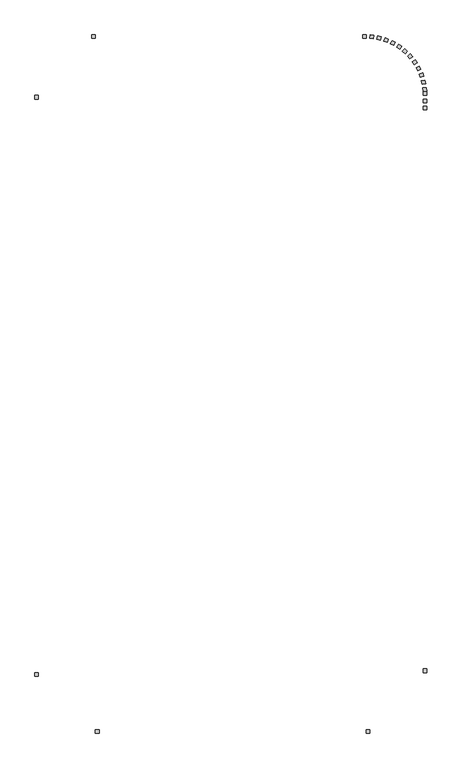
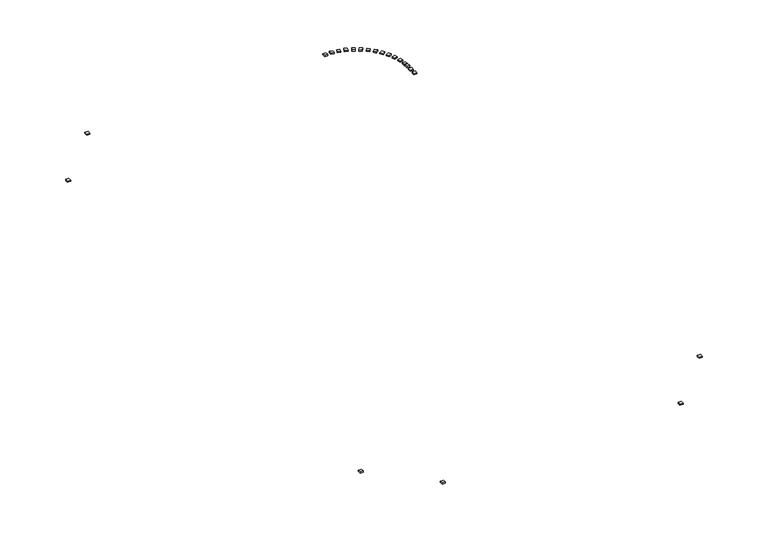
"""IFC4 building model written with IfcOpenShell, lengths in millimetres: railing geometry."""

from ifc_helpers import new_model, si_unit, origin, origin_with_axes, place, context, project, spatial, polyline, outline, extrude, source, transform, mapped, element, save


def railing_5e8ad4d1(model_context):
    return source(origin(), model_context, "Body", "SweptSolid", [
        extrude(outline(polyline([(-23131.1414863, -269254.0566268), (-23631.1414863, -269254.0566268), (-23631.1414863, -268754.0566268), (-23131.1414863, -268754.0566268), (-23131.1414863, -269254.0566268)])), origin_with_axes(), (0.0, 0.0, 1.0), 200.0),
        extrude(outline(polyline([(-23131.1414863, -268254.0566268), (-23631.1414863, -268254.0566268), (-23631.1414863, -267754.0566268), (-23131.1414863, -267754.0566268), (-23131.1414863, -268254.0566268)])), origin_with_axes(), (0.0, 0.0, 1.0), 200.0),
        extrude(outline(polyline([(-23152.4341001, -266652.7904126), (-23651.1815934, -266688.1590134), (-23686.5501943, -266189.4115201), (-23187.802701, -266154.0429193), (-23152.4341001, -266652.7904126)])), origin_with_axes(), (0.0, 0.0, 1.0), 200.0),
        extrude(outline(polyline([(-23293.5505016, -265600.4011089), (-23783.9970301, -265697.6749629), (-23881.2708841, -265207.2284344), (-23390.8243556, -265109.9545804), (-23293.5505016, -265600.4011089)])), origin_with_axes(), (0.0, 0.0, 1.0), 200.0),
        extrude(outline(polyline([(-23564.7722217, -264573.8165464), (-24039.2645314, -264731.4777276), (-24196.9257126, -264256.9854179), (-23722.4334029, -264099.3242367), (-23564.7722217, -264573.8165464)])), origin_with_axes(), (0.0, 0.0, 1.0), 200.0),
        extrude(outline(polyline([(-23961.8669364, -263589.056234), (-24413.0007335, -263804.6444924), (-24628.5889919, -263353.5106953), (-24177.4551948, -263137.9224369), (-23961.8669364, -263589.056234)])), origin_with_axes(), (0.0, 0.0, 1.0), 200.0),
        extrude(outline(polyline([(-24478.6381154, -262661.4870269), (-24899.3736078, -262931.6381798), (-25169.5247607, -262510.9026874), (-24748.7892683, -262240.7515345), (-24478.6381154, -262661.4870269)])), origin_with_axes(), (0.0, 0.0, 1.0), 200.0),
        extrude(outline(polyline([(-25107.0217173, -261805.5833324), (-25490.7934684, -262126.0817615), (-25811.2918975, -261742.3100104), (-25427.5201463, -261421.8115813), (-25107.0217173, -261805.5833324)])), origin_with_axes(), (0.0, 0.0, 1.0), 200.0),
        extrude(outline(polyline([(-25837.2120261, -261034.7012414), (-26178.0314061, -261400.5456758), (-26543.8758405, -261059.7262958), (-26203.0564605, -260693.8818613), (-25837.2120261, -261034.7012414)])), origin_with_axes(), (0.0, 0.0, 1.0), 200.0),
        extrude(outline(polyline([(-26657.8146663, -260360.870111), (-26950.3633027, -260766.3516707), (-27355.8448625, -260473.8030343), (-27063.296226, -260068.3214745), (-26657.8146663, -260360.870111)])), origin_with_axes(), (0.0, 0.0, 1.0), 200.0),
        extrude(outline(polyline([(-27556.0244081, -259794.6048507), (-27795.7371774, -260233.3961317), (-28234.5284584, -259993.6833624), (-27994.8156891, -259554.8920814), (-27556.0244081, -259794.6048507)])), origin_with_axes(), (0.0, 0.0, 1.0), 200.0),
        extrude(outline(polyline([(-28517.824989, -259344.7418405), (-28700.9612536, -259809.9956515), (-29166.2150645, -259626.8593869), (-28983.0788, -259161.605576), (-28517.824989, -259344.7418405)])), origin_with_axes(), (0.0, 0.0, 1.0), 200.0),
        extrude(outline(polyline([(-29528.2078326, -259018.3010422), (-29651.9098122, -259502.7572531), (-30136.3660231, -259379.0552735), (-30012.6640435, -258894.5990626), (-29528.2078326, -259018.3010422)])), origin_with_axes(), (0.0, 0.0, 1.0), 200.0),
        extrude(outline(polyline([(-30571.4062525, -258820.3764553), (-30633.7436192, -259316.475289), (-31129.8424528, -259254.1379223), (-31067.5050861, -258758.0390886), (-30571.4062525, -258820.3764553)])), origin_with_axes(), (0.0, 0.0, 1.0), 200.0),
        extrude(outline(polyline([(-31631.1414863, -258754.0566268), (-31631.1414863, -259254.0566268), (-32131.1414863, -259254.0566268), (-32131.1414863, -258754.0566268), (-31631.1414863, -258754.0566268)])), origin_with_axes(), (0.0, 0.0, 1.0), 200.0),
        extrude(outline(polyline([(-69631.1414863, -258754.0566268), (-69631.1414863, -259254.0566268), (-70131.1414863, -259254.0566268), (-70131.1414863, -258754.0566268), (-69631.1414863, -258754.0566268)])), origin_with_axes(), (0.0, 0.0, 1.0), 200.0),
        extrude(outline(polyline([(-78131.1414863, -267254.0566268), (-77631.1414863, -267254.0566268), (-77631.1414863, -267754.0566268), (-78131.1414863, -267754.0566268), (-78131.1414863, -267254.0566268)])), origin_with_axes(), (0.0, 0.0, 1.0), 200.0),
        extrude(outline(polyline([(-78131.1414863, -348254.0566268), (-77631.1414863, -348254.0566268), (-77631.1414863, -348754.0566268), (-78131.1414863, -348754.0566268), (-78131.1414863, -348254.0566268)])), origin_with_axes(), (0.0, 0.0, 1.0), 200.0),
        extrude(outline(polyline([(-69631.1414863, -356754.0566268), (-69631.1414863, -356254.0566268), (-69131.1414863, -356254.0566268), (-69131.1414863, -356754.0566268), (-69631.1414863, -356754.0566268)])), origin_with_axes(), (0.0, 0.0, 1.0), 200.0),
        extrude(outline(polyline([(-31631.1414863, -356754.0566268), (-31631.1414863, -356254.0566268), (-31131.1414863, -356254.0566268), (-31131.1414863, -356754.0566268), (-31631.1414863, -356754.0566268)])), origin_with_axes(), (0.0, 0.0, 1.0), 200.0),
        extrude(outline(polyline([(-23131.1414863, -348254.0566268), (-23631.1414863, -348254.0566268), (-23631.1414863, -347754.0566268), (-23131.1414863, -347754.0566268), (-23131.1414863, -348254.0566268)])), origin_with_axes(), (0.0, 0.0, 1.0), 200.0),
        extrude(outline(polyline([(-23131.1414863, -267254.0566268), (-23631.1414863, -267254.0566268), (-23631.1414863, -266754.0566268), (-23131.1414863, -266754.0566268), (-23131.1414863, -267254.0566268)])), origin_with_axes(), (0.0, 0.0, 1.0), 200.0),
    ])


if __name__ == "__main__":
    model = new_model("IFC4")
    model_context = context("Model", 3, world=origin())
    ifc_project = project(units=[si_unit("LENGTHUNIT", "METRE", prefix="MILLI")], contexts=[model_context])
    site = spatial("IfcSite", under=ifc_project)
    building = spatial("IfcBuilding", under=site)
    placement = place(None, origin())
    railing_shape = railing_5e8ad4d1(model_context)
    element("IfcRailing", 1, at=placement, inside=building, context=model_context, shape_type="MappedRepresentation", body=[
        mapped(railing_shape, transform((0.0, 0.0, 0.0), x_axis=(1.0, 0.0, 0.0), y_axis=(0.0, 1.0, 0.0), z_axis=(0.0, 0.0, 1.0))),
    ])
    save(model, "model.ifc")
